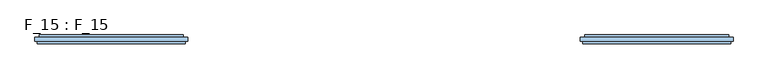
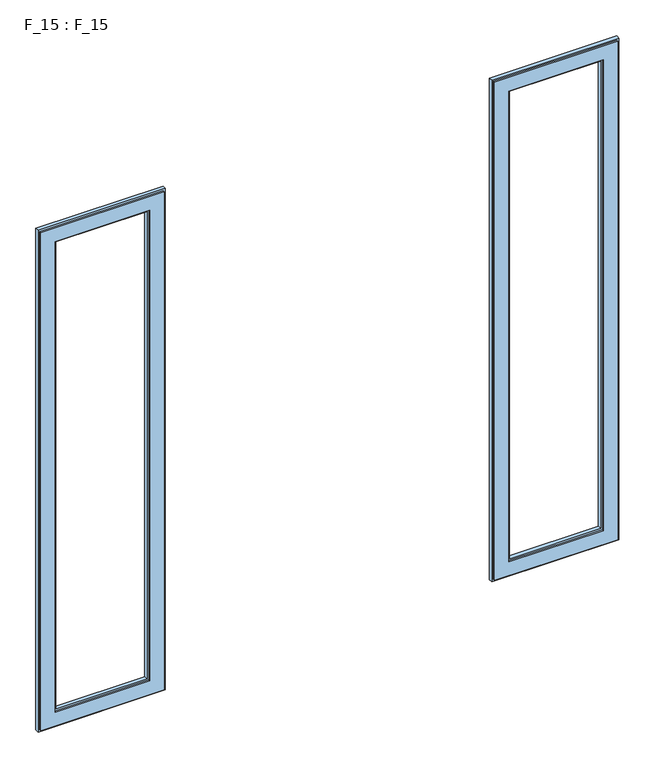
"""IFC4 building model written with IfcOpenShell, lengths in millimetres: window geometry, F_15 : F_15."""

from ifc_helpers import new_model, si_unit, origin, place, context, project, spatial, faceted_brep, source, transform, mapped, element, save


def f_15_f_15_2fdc653c(model_context):
    return source(origin(), model_context, "Body", "Brep", [
        faceted_brep([(790.0000003, -40.0, 900.0), (790.0000003, -45.0, 900.0), (459.9999997, -45.0, 900.0), (459.9999997, -40.0, 900.0), (459.9999997, -45.0, 2340.0000007), (459.9999997, -40.0, 2340.0000007), (449.9999997, -45.0, 2350.0000007), (800.0000003, -45.0, 2350.0000007), (800.0000003, -45.0, 890.0), (449.9999997, -45.0, 890.0), (790.0000003, -45.0, 2340.0000007), (790.0000003, -40.0, 2340.0000007), (494.9999997, -40.0, 935.0), (755.0000003, -40.0, 935.0), (755.0000003, -40.0, 2305.0000007), (494.9999997, -40.0, 2305.0000007), (755.0000003, -45.0, 935.0), (494.9999997, -45.0, 935.0), (494.9999997, -45.0, 2305.0000007), (755.0000003, -45.0, 2305.0000007), (499.9999997, -45.0, 940.0), (750.0000003, -45.0, 940.0), (750.0000003, -45.0, 2300.0000007), (499.9999997, -45.0, 2300.0000007), (750.0000003, -55.0, 940.0), (499.9999997, -55.0, 940.0), (499.9999997, -55.0, 2300.0000007), (494.9999997, -55.0, 935.0), (755.0000003, -55.0, 935.0), (755.0000003, -55.0, 2305.0000007), (494.9999997, -55.0, 2305.0000007), (750.0000003, -55.0, 2300.0000007), (755.0000003, -60.0, 935.0), (494.9999997, -60.0, 935.0), (494.9999997, -60.0, 2305.0000007), (454.9999997, -60.0, 895.0), (795.0000003, -60.0, 895.0), (795.0000003, -60.0, 2345.0000007), (454.9999997, -60.0, 2345.0000007), (755.0000003, -60.0, 2305.0000007), (795.0000003, -55.0, 895.0), (454.9999997, -55.0, 895.0), (454.9999997, -55.0, 2345.0000007), (449.9999997, -55.0, 890.0), (800.0000003, -55.0, 890.0), (800.0000003, -55.0, 2350.0000007), (449.9999997, -55.0, 2350.0000007), (795.0000003, -55.0, 2345.0000007)], [[[0, 1, 2, 3]], [[3, 2, 4, 5]], [[6, 7, 8, 9], [2, 1, 10, 4]], [[5, 11, 0, 3], [12, 13, 14, 15]], [[16, 13, 12, 17]], [[17, 12, 15, 18]], [[18, 19, 16, 17], [20, 21, 22, 23]], [[24, 21, 20, 25]], [[25, 20, 23, 26]], [[27, 28, 29, 30], [26, 31, 24, 25]], [[32, 28, 27, 33]], [[33, 27, 30, 34]], [[35, 36, 37, 38], [34, 39, 32, 33]], [[40, 36, 35, 41]], [[41, 35, 38, 42]], [[43, 44, 45, 46], [42, 47, 40, 41]], [[8, 44, 43, 9]], [[9, 43, 46, 6]], [[11, 10, 1, 0]], [[19, 14, 13, 16]], [[31, 22, 21, 24]], [[39, 29, 28, 32]], [[47, 37, 36, 40]], [[7, 45, 44, 8]], [[5, 4, 10, 11]], [[18, 15, 14, 19]], [[34, 30, 29, 39]], [[42, 38, 37, 47]], [[6, 46, 45, 7]], [[26, 23, 22, 31]]]),
        faceted_brep([(-790.0000003, -45.0, 900.0), (-790.0000003, -40.0, 900.0), (-459.9999997, -40.0, 900.0), (-459.9999997, -45.0, 900.0), (-459.9999997, -40.0, 2340.0000007), (-459.9999997, -45.0, 2340.0000007), (-790.0000003, -40.0, 2340.0000007), (-494.9999997, -40.0, 2305.0000007), (-755.0000003, -40.0, 2305.0000007), (-755.0000003, -40.0, 935.0), (-494.9999997, -40.0, 935.0), (-449.9999997, -45.0, 890.0), (-800.0000003, -45.0, 890.0), (-800.0000003, -45.0, 2350.0000007), (-449.9999997, -45.0, 2350.0000007), (-790.0000003, -45.0, 2340.0000007), (-755.0000003, -45.0, 935.0), (-494.9999997, -45.0, 935.0), (-494.9999997, -45.0, 2305.0000007), (-755.0000003, -45.0, 2305.0000007), (-499.9999997, -45.0, 2300.0000007), (-750.0000003, -45.0, 2300.0000007), (-750.0000003, -45.0, 940.0), (-499.9999997, -45.0, 940.0), (-750.0000003, -55.0, 940.0), (-499.9999997, -55.0, 940.0), (-499.9999997, -55.0, 2300.0000007), (-494.9999997, -55.0, 2305.0000007), (-755.0000003, -55.0, 2305.0000007), (-755.0000003, -55.0, 935.0), (-494.9999997, -55.0, 935.0), (-750.0000003, -55.0, 2300.0000007), (-755.0000003, -60.0, 935.0), (-494.9999997, -60.0, 935.0), (-494.9999997, -60.0, 2305.0000007), (-454.9999997, -60.0, 2345.0000007), (-795.0000003, -60.0, 2345.0000007), (-795.0000003, -60.0, 895.0), (-454.9999997, -60.0, 895.0), (-755.0000003, -60.0, 2305.0000007), (-795.0000003, -55.0, 895.0), (-454.9999997, -55.0, 895.0), (-454.9999997, -55.0, 2345.0000007), (-449.9999997, -55.0, 2350.0000007), (-800.0000003, -55.0, 2350.0000007), (-800.0000003, -55.0, 890.0), (-449.9999997, -55.0, 890.0), (-795.0000003, -55.0, 2345.0000007)], [[[0, 1, 2, 3]], [[3, 2, 4, 5]], [[2, 1, 6, 4], [7, 8, 9, 10]], [[11, 12, 13, 14], [5, 15, 0, 3]], [[9, 16, 17, 10]], [[10, 17, 18, 7]], [[17, 16, 19, 18], [20, 21, 22, 23]], [[22, 24, 25, 23]], [[23, 25, 26, 20]], [[27, 28, 29, 30], [25, 24, 31, 26]], [[29, 32, 33, 30]], [[30, 33, 34, 27]], [[35, 36, 37, 38], [33, 32, 39, 34]], [[37, 40, 41, 38]], [[38, 41, 42, 35]], [[43, 44, 45, 46], [41, 40, 47, 42]], [[45, 12, 11, 46]], [[46, 11, 14, 43]], [[15, 6, 1, 0]], [[8, 19, 16, 9]], [[21, 31, 24, 22]], [[28, 39, 32, 29]], [[36, 47, 40, 37]], [[44, 13, 12, 45]], [[5, 4, 6, 15]], [[7, 18, 19, 8]], [[27, 34, 39, 28]], [[35, 42, 47, 36]], [[43, 14, 13, 44]], [[20, 26, 31, 21]]]),
    ])


if __name__ == "__main__":
    model = new_model("IFC4")
    model_context = context("Model", 3, world=origin())
    ifc_project = project(units=[si_unit("LENGTHUNIT", "METRE", prefix="MILLI")], contexts=[model_context])
    site = spatial("IfcSite", under=ifc_project)
    building = spatial("IfcBuilding", under=site)
    placement = place(None, origin())
    f_15_f_15_shape = f_15_f_15_2fdc653c(model_context)
    element("IfcWindow", 1, ObjectType="F_15 : F_15", at=placement, inside=building, context=model_context, shape_type="MappedRepresentation", body=[
        mapped(f_15_f_15_shape, transform((0.0, 0.0, 0.0), x_axis=(1.0, 0.0, 0.0), y_axis=(0.0, 1.0, 0.0), z_axis=(0.0, 0.0, 1.0))),
    ])
    save(model, "model.ifc")
